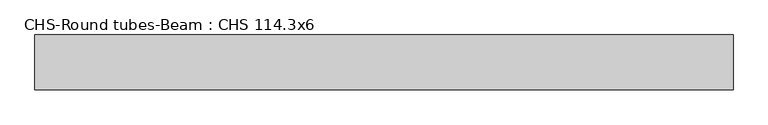
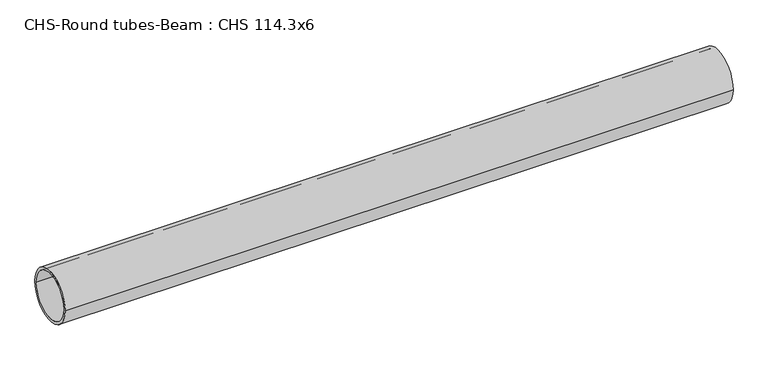
"""IFC4 building model written with IfcOpenShell, lengths in millimetres: beam geometry, CHS-Round tubes-Beam : CHS 114.3x6."""

from ifc_helpers import new_model, si_unit, point, frame, origin, origin_2d, place, context, project, spatial, circle_curve, trimmed, segment, composite_curve, outline, extrude, source, transform, mapped, element, save


def chs_round_tubes_beam_chs_114_3x6_5ff8be63(model_context):
    return source(origin(), model_context, "Body", "SweptSolid", [
        extrude(outline(composite_curve([segment(trimmed(circle_curve(origin_2d(), 57.15), [point((57.15, 0.0))], [point((-57.15, 0.0))], False, "CARTESIAN"), True, "CONTINUOUS"), segment(trimmed(circle_curve(origin_2d(), 57.15), [point((-57.15, 0.0))], [point((57.15, 0.0))], False, "CARTESIAN"), True, "CONTINUOUS")], self_intersect=False), holes=[composite_curve([segment(trimmed(circle_curve(origin_2d(), 51.15), [point((51.15, 0.0))], [point((-51.15, 0.0))], True, "CARTESIAN"), True, "CONTINUOUS"), segment(trimmed(circle_curve(origin_2d(), 51.15), [point((-51.15, 0.0))], [point((51.15, 0.0))], True, "CARTESIAN"), True, "CONTINUOUS")], self_intersect=False)]), frame((-744.5980797, 0.0, 0.0), z_axis=(1.0, 0.0, 0.0), x_axis=(0.0, 1.0, 0.0)), (0.0, 0.0, 1.0), 1458.8063744),
    ])


if __name__ == "__main__":
    model = new_model("IFC4")
    model_context = context("Model", 3, world=origin())
    ifc_project = project(units=[si_unit("LENGTHUNIT", "METRE", prefix="MILLI")], contexts=[model_context])
    site = spatial("IfcSite", under=ifc_project)
    building = spatial("IfcBuilding", under=site)
    placement = place(None, origin())
    chs_round_tubes_beam_chs_114_3x6_shape = chs_round_tubes_beam_chs_114_3x6_5ff8be63(model_context)
    element("IfcBeam", 1, ObjectType="CHS-Round tubes-Beam : CHS 114.3x6", at=placement, inside=building, context=model_context, shape_type="MappedRepresentation", body=[
        mapped(chs_round_tubes_beam_chs_114_3x6_shape, transform((0.0, 0.0, 0.0), x_axis=(1.0, 0.0, 0.0), y_axis=(0.0, 1.0, 0.0), z_axis=(0.0, 0.0, 1.0))),
    ])
    save(model, "model.ifc")
